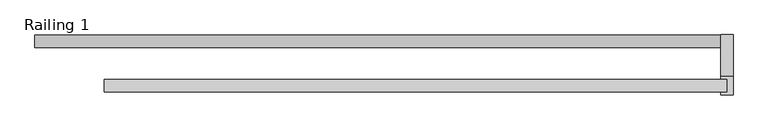
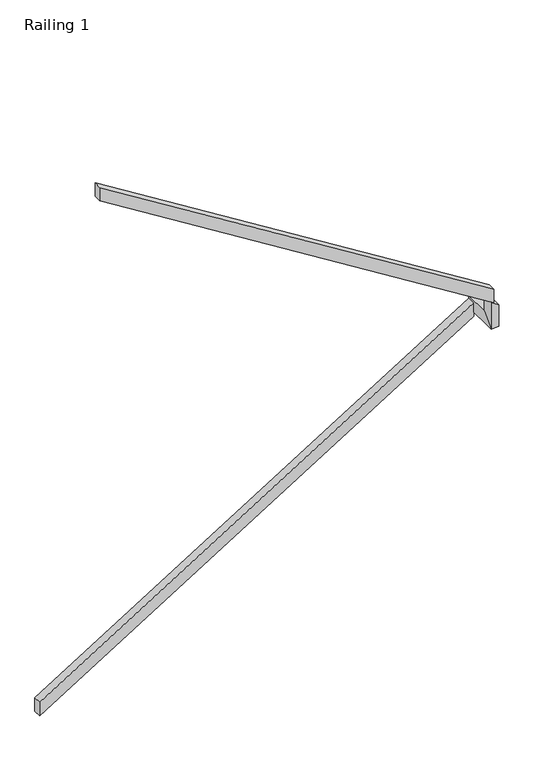
"""IFC4 building model written with IfcOpenShell, lengths in millimetres: railing geometry, Railing 1."""

from ifc_helpers import new_model, si_unit, origin, place, context, project, spatial, faceted_brep, source, transform, mapped, element, save


def railing_1_8056cb8a(model_context):
    return source(origin(), model_context, "Body", "Brep", [
        faceted_brep([(2217.1311953, 3408.4134111, 1088.5714286), (2217.1311953, 3408.4134111, 998.7782586), (2217.1311953, 3357.6134111, 998.7782586), (2217.1311953, 3357.6134111, 1088.5714286), (4985.7311953, 3408.4134111, 2814.4519481), (4985.7311953, 3357.6134111, 2814.4519481), (4985.7311953, 3357.6134111, 2724.6587781), (4985.7311953, 3408.4134111, 2724.6587781)], [[[0, 1, 2, 3]], [[4, 5, 6, 7]], [[1, 0, 4, 7]], [[2, 1, 7, 6]], [[3, 2, 6, 5]], [[0, 3, 5, 4]]]),
        faceted_brep([(5036.5311953, 3408.4134111, 2830.2857143), (5036.5311953, 3408.4134111, 2754.0857143), (4985.7311953, 3408.4134111, 2754.0857143), (4985.7311953, 3408.4134111, 2830.2857143), (5036.5311953, 3240.7215743, 2830.2857143), (5036.5311953, 3164.5215743, 2754.0857143), (4985.7311953, 3164.5215743, 2754.0857143), (4985.7311953, 3240.7215743, 2830.2857143), (5036.5311953, 3240.7215743, 2898.8302066), (4985.7311953, 3240.7215743, 2930.4977391), (4985.7311953, 3164.5215743, 2930.4977391), (5036.5311953, 3164.5215743, 2898.8302066)], [[[0, 1, 2, 3]], [[1, 0, 4, 5]], [[2, 1, 5, 6]], [[3, 2, 6, 7]], [[0, 3, 7, 4]], [[8, 9, 10, 11]], [[5, 4, 8, 11]], [[6, 5, 11, 10]], [[7, 6, 10, 9]], [[4, 7, 9, 8]]]),
        faceted_brep([(5011.1311953, 3177.2215743, 3004.4571429), (5011.1311953, 3177.2215743, 2914.6639729), (5011.1311953, 3228.0215743, 2914.6639729), (5011.1311953, 3228.0215743, 3004.4571429), (2496.5311953, 3177.2215743, 4572.0), (2496.5311953, 3228.0215743, 4572.0), (2496.5311953, 3228.0215743, 4482.20683), (2496.5311953, 3177.2215743, 4482.20683)], [[[0, 1, 2, 3]], [[4, 5, 6, 7]], [[1, 0, 4, 7]], [[2, 1, 7, 6]], [[3, 2, 6, 5]], [[0, 3, 5, 4]]]),
    ])


if __name__ == "__main__":
    model = new_model("IFC4")
    model_context = context("Model", 3, world=origin())
    ifc_project = project(units=[si_unit("LENGTHUNIT", "METRE", prefix="MILLI")], contexts=[model_context])
    site = spatial("IfcSite", under=ifc_project)
    building = spatial("IfcBuilding", under=site)
    placement = place(None, origin())
    railing_1_shape = railing_1_8056cb8a(model_context)
    element("IfcRailing", 1, ObjectType="Railing 1", at=placement, inside=building, context=model_context, shape_type="MappedRepresentation", body=[
        mapped(railing_1_shape, transform((0.0, 0.0, 0.0), x_axis=(1.0, 0.0, 0.0), y_axis=(0.0, 1.0, 0.0), z_axis=(0.0, 0.0, 1.0))),
    ])
    save(model, "model.ifc")
